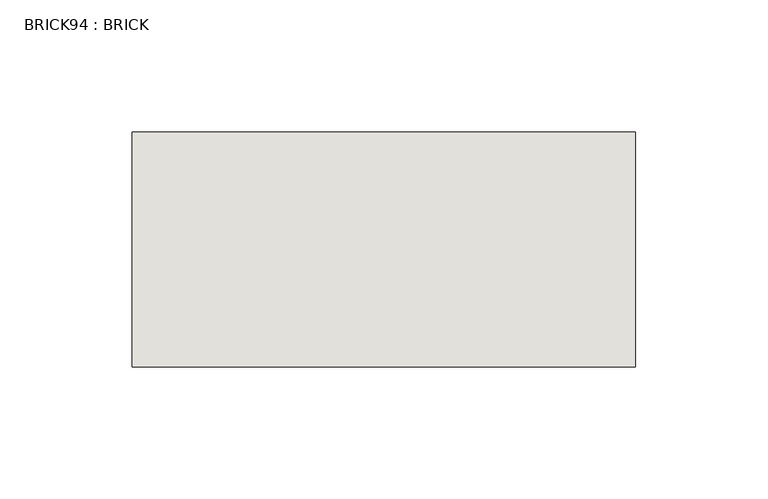
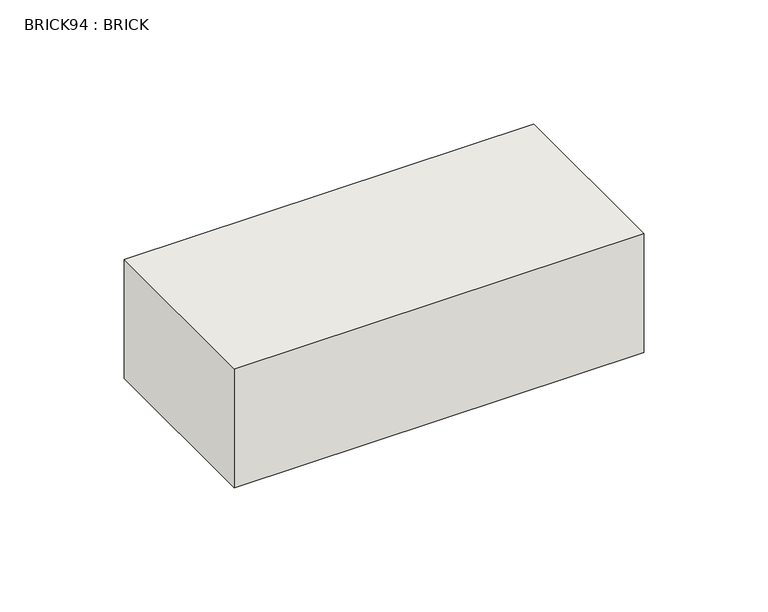
"""IFC4 building model written with IfcOpenShell, lengths in millimetres: wall geometry, BRICK94 : BRICK."""

from ifc_helpers import new_model, si_unit, frame, origin, place, context, project, spatial, polyline, outline, extrude, source, transform, mapped, element, save


def brick94_brick_6ab9de78(model_context):
    return source(origin(), model_context, "Body", "SweptSolid", [
        extrude(outline(polyline([(1241.2530711, 2586.2274125), (1431.7530711, 2586.2274125), (1431.7530711, 2497.3274125), (1241.2530711, 2497.3274125), (1241.2530711, 2586.2274125)])), frame((0.0, 0.0, 353.7148438), z_axis=(0.0, 0.0, 1.0), x_axis=(1.0, 0.0, 0.0)), (0.0, 0.0, 1.0), 58.4398437),
    ])


if __name__ == "__main__":
    model = new_model("IFC4")
    model_context = context("Model", 3, world=origin())
    ifc_project = project(units=[si_unit("LENGTHUNIT", "METRE", prefix="MILLI")], contexts=[model_context])
    site = spatial("IfcSite", under=ifc_project)
    building = spatial("IfcBuilding", under=site)
    placement = place(None, origin())
    brick94_brick_shape = brick94_brick_6ab9de78(model_context)
    element("IfcWall", 1, ObjectType="BRICK94 : BRICK", at=placement, inside=building, context=model_context, shape_type="MappedRepresentation", body=[
        mapped(brick94_brick_shape, transform((0.0, 0.0, 0.0), x_axis=(1.0, 0.0, 0.0), y_axis=(0.0, 1.0, 0.0), z_axis=(0.0, 0.0, 1.0))),
    ])
    save(model, "model.ifc")
